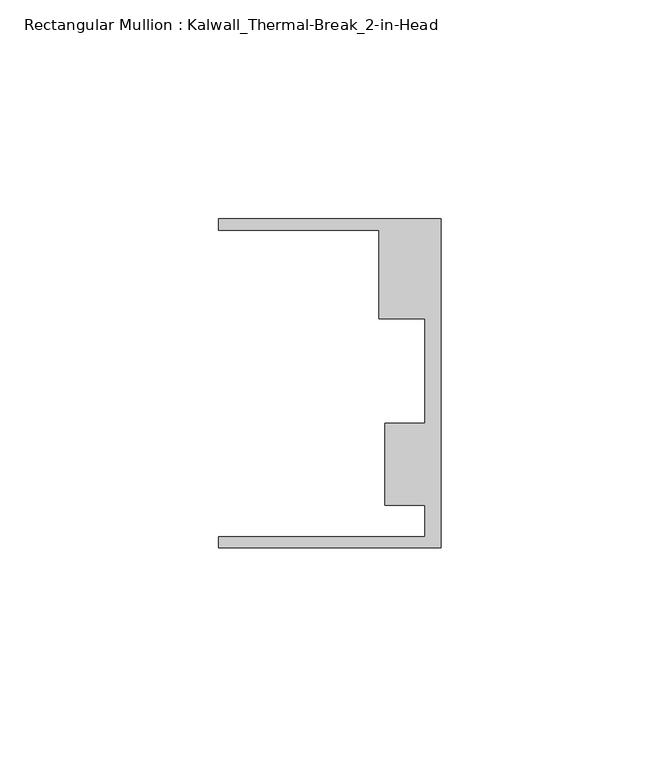
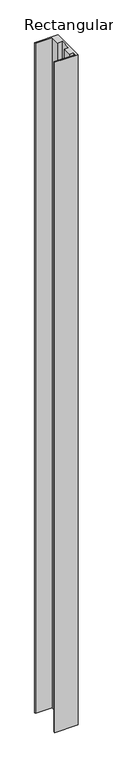
"""IFC4 building model written with IfcOpenShell, lengths in millimetres: member geometry, Rectangular Mullion : Kalwall_Thermal-Break_2-in-Head."""

import ifcopenshell
import ifcopenshell.guid

model = None  # the IFC model being written
_history = None  # IfcOwnerHistory: only IFC2X3 demands one
_inside = {}  # id of a spatial element -> (the spatial element, [elements in it])
_under = {}  # id of a project, library or spatial element -> (it, [spatial elements below it])
_declared = {}  # id of a project -> (the project, [libraries it declares])
_typed = {}  # id of a type object -> (the type object, [elements of that type])
_made_of = {}  # id of a material, layer set ... -> (it, [elements and type objects made of it])


def new_model(schema):
    """Start an empty IFC model of exactly this schema.

    Asked for "IFC4X3", IfcOpenShell would pick the latest addendum, in which some entities
    have other attributes; the version numbers below select the first issue.
    IFC2X3 requires an IfcOwnerHistory on every rooted entity: one is made here for all.
    """
    global model, _history
    if schema == "IFC4X3":
        model = ifcopenshell.file(schema_version=(4, 3, 0, 0))
    else:
        model = ifcopenshell.file(schema=schema)
    _inside.clear()
    _under.clear()
    _declared.clear()
    _typed.clear()
    _made_of.clear()
    _history = None
    if model.schema == "IFC2X3":
        org = make("IfcOrganization", Name="unknown")
        user = make(
            "IfcPersonAndOrganization",
            ThePerson=make("IfcPerson", FamilyName="unknown"),
            TheOrganization=org,
        )
        app = make(
            "IfcApplication",
            ApplicationDeveloper=org,
            Version="unknown",
            ApplicationFullName="unknown",
            ApplicationIdentifier="unknown",
        )
        _history = make(
            "IfcOwnerHistory",
            OwningUser=user,
            OwningApplication=app,
            ChangeAction="ADDED",
            CreationDate=0,
        )
    return model


def make(cls, **values):
    """One entity of the class cls with the attributes given. An attribute that is None is left unset."""
    return model.create_entity(
        cls, **{name: value for name, value in values.items() if value is not None}
    )


def rooted(cls, **values):
    """An entity with a GlobalId (a new one), such as an element, a storey or a relation."""
    return make(cls, GlobalId=ifcopenshell.guid.new(), OwnerHistory=_history, **values)


def si_unit(unit_type, name, prefix=None):
    """IfcSIUnit, for example si_unit("LENGTHUNIT", "METRE", prefix="MILLI")."""
    return make("IfcSIUnit", UnitType=unit_type, Prefix=prefix, Name=name)


def assignment(units):
    """IfcUnitAssignment: the units of a project."""
    return None if units is None else make("IfcUnitAssignment", Units=units)


def point(xyz):
    """IfcCartesianPoint."""
    return None if xyz is None else make("IfcCartesianPoint", Coordinates=xyz)


def direction(xyz):
    """IfcDirection."""
    return None if xyz is None else make("IfcDirection", DirectionRatios=xyz)


def frame(location, z_axis=None, x_axis=None):
    """IfcAxis2Placement3D, a coordinate frame: its origin and axes. An axis left out is left unset."""
    return make(
        "IfcAxis2Placement3D",
        Location=point(location),
        Axis=direction(z_axis),
        RefDirection=direction(x_axis),
    )


def origin():
    """The frame at (0, 0, 0) with its axes left unset."""
    return frame((0.0, 0.0, 0.0))


def place(relative_to, where):
    """IfcLocalPlacement: puts the frame where relative to a parent placement (None: the world)."""
    return make(
        "IfcLocalPlacement", PlacementRelTo=relative_to, RelativePlacement=where
    )


def context(
    kind, dimensions, precision=None, world=None, true_north=None, identifier=None
):
    """IfcGeometricRepresentationContext, for example the 3D "Model" context."""
    return make(
        "IfcGeometricRepresentationContext",
        ContextIdentifier=identifier,
        ContextType=kind,
        CoordinateSpaceDimension=dimensions,
        Precision=precision,
        WorldCoordinateSystem=world,
        TrueNorth=true_north,
    )


def project(units=None, contexts=None):
    """IfcProject with its units and contexts."""
    return rooted(
        "IfcProject",
        Name="project",
        RepresentationContexts=contexts,
        UnitsInContext=assignment(units),
    )


def spatial(cls, under=None, at=None, **own):
    """A site, building, storey or space (cls), placed at a placement, below another one or the project."""
    s = rooted(cls, ObjectPlacement=at, **own)
    if under is not None:
        _under.setdefault(under.id(), (under, []))[1].append(s)
    return s


def polyline(points):
    """IfcPolyline through the points."""
    return make("IfcPolyline", Points=[point(p) for p in points])


def outline(outer, holes=None, kind="AREA"):
    """IfcArbitraryClosedProfileDef: a profile drawn as a closed curve; with holes, ...WithVoids."""
    if holes is None:
        return make("IfcArbitraryClosedProfileDef", ProfileType=kind, OuterCurve=outer)
    return make(
        "IfcArbitraryProfileDefWithVoids",
        ProfileType=kind,
        OuterCurve=outer,
        InnerCurves=holes,
    )


def extrude(swept, where, along, depth):
    """IfcExtrudedAreaSolid: the profile swept, set in the frame where, extruded along a direction by depth."""
    return make(
        "IfcExtrudedAreaSolid",
        SweptArea=swept,
        Position=where,
        ExtrudedDirection=direction(along),
        Depth=depth,
    )


def shape(context_of_items, identifier, shape_type, items):
    """IfcShapeRepresentation: the items that make up one representation, for example the "Body"."""
    return make(
        "IfcShapeRepresentation",
        ContextOfItems=context_of_items,
        RepresentationIdentifier=identifier,
        RepresentationType=shape_type,
        Items=items,
    )


def source(mapping_origin, context_of_items, identifier, shape_type, items):
    """IfcRepresentationMap: a shape defined once, which mapped items show again and again."""
    return make(
        "IfcRepresentationMap",
        MappingOrigin=mapping_origin,
        MappedRepresentation=shape(context_of_items, identifier, shape_type, items),
    )


def transform(
    local_origin,
    x_axis=None,
    y_axis=None,
    z_axis=None,
    scale=None,
    scale2=None,
    scale3=None,
    uniform=True,
):
    """IfcCartesianTransformationOperator3D, or its non-uniform kind. x_axis, y_axis, z_axis: its Axis1, 2, 3."""
    if uniform:
        return make(
            "IfcCartesianTransformationOperator3D",
            Axis1=direction(x_axis),
            Axis2=direction(y_axis),
            LocalOrigin=point(local_origin),
            Scale=scale,
            Axis3=direction(z_axis),
        )
    return make(
        "IfcCartesianTransformationOperator3DnonUniform",
        Axis1=direction(x_axis),
        Axis2=direction(y_axis),
        LocalOrigin=point(local_origin),
        Scale=scale,
        Axis3=direction(z_axis),
        Scale2=scale2,
        Scale3=scale3,
    )


def mapped(mapping_source, mapping_target):
    """IfcMappedItem: shows the shape of a source again, moved by a transform."""
    return make(
        "IfcMappedItem", MappingSource=mapping_source, MappingTarget=mapping_target
    )


def made_of(thing, what):
    """Note that an element or type object is made of a material, layer set ...; save() writes the relation."""
    if what is not None:
        _made_of.setdefault(what.id(), (what, []))[1].append(thing)
    return thing


def element(
    cls,
    number,
    at=None,
    inside=None,
    cuts=None,
    type_object=None,
    material=None,
    context=None,
    identifier="Body",
    shape_type=None,
    held_by="IfcProductDefinitionShape",
    body=None,
    shapes=None,
    **own,
):
    """One element of the class cls, such as IfcWall. Its Tag is "e" and its number.

    at: its placement. inside: the storey or other place that contains it. cuts: it is an
    opening in that element (IfcRelVoidsElement). A single representation is given by context,
    identifier, shape_type and body (its items); several are given by shapes. held_by: the class
    of the entity that holds the representations. save() writes the other relations.
    """
    e = rooted(cls, Tag="e%d" % number, ObjectPlacement=at, **own)
    if body is not None:
        shapes = [shape(context, identifier, shape_type, body)]
    if shapes is not None:
        e.Representation = make(held_by, Representations=shapes)
    if inside is not None:
        _inside.setdefault(inside.id(), (inside, []))[1].append(e)
    if cuts is not None:
        rooted(
            "IfcRelVoidsElement", RelatingBuildingElement=cuts, RelatedOpeningElement=e
        )
    if type_object is not None:
        _typed.setdefault(type_object.id(), (type_object, []))[1].append(e)
    return made_of(e, material)


def aggregate(whole, parts):
    """IfcRelAggregates: a whole, such as a stair, and the parts it consists of."""
    return rooted("IfcRelAggregates", RelatingObject=whole, RelatedObjects=parts)


def save(model, path):
    """Write the relations noted so far, then the file.

    IfcRelAggregates (storeys below a building ...), IfcRelContainedInSpatialStructure (elements
    in a storey), IfcRelDefinesByType, IfcRelAssociatesMaterial and IfcRelDeclares: one each for
    every whole, place, type object, material and project.
    """
    for whole, parts in _under.values():
        aggregate(whole, parts)
    for where, things in _inside.values():
        rooted(
            "IfcRelContainedInSpatialStructure",
            RelatedElements=things,
            RelatingStructure=where,
        )
    for kind, things in _typed.values():
        rooted("IfcRelDefinesByType", RelatedObjects=things, RelatingType=kind)
    for what, things in _made_of.values():
        rooted("IfcRelAssociatesMaterial", RelatedObjects=things, RelatingMaterial=what)
    for by, libraries in _declared.values():
        rooted("IfcRelDeclares", RelatingContext=by, RelatedDefinitions=libraries)
    model.write(path)


def rectangular_mullion_kalwall_thermal_break_2_in_head_6864c27d(model_context):
    return source(origin(), model_context, "Body", "SweptSolid", [
        extrude(outline(polyline([(0.0, -37.5776386), (-50.8, -37.5776386), (-50.8, -35.0376386), (-3.7084, -35.0376386), (-3.7084, -27.8888568), (-12.8272539, -27.8888568), (-12.8272539, -9.1879886), (-3.7084, -9.1879886), (-3.7084, 14.7439614), (-14.1732, 14.7439614), (-14.1732, 34.9623614), (-50.8, 34.9623614), (-50.8, 37.5023614), (0.0, 37.5023614), (0.0, -37.5776386)])), frame((0.0, 0.0, -1540.9129997), z_axis=(0.0, 0.0, 1.0), x_axis=(1.0, 0.0, 0.0)), (0.0, 0.0, 1.0), 1540.9129997),
    ])


if __name__ == "__main__":
    model = new_model("IFC4")
    model_context = context("Model", 3, world=origin())
    ifc_project = project(units=[si_unit("LENGTHUNIT", "METRE", prefix="MILLI")], contexts=[model_context])
    site = spatial("IfcSite", under=ifc_project)
    building = spatial("IfcBuilding", under=site)
    placement = place(None, origin())
    rectangular_mullion_kalwall_thermal_break_2_in_head_shape = rectangular_mullion_kalwall_thermal_break_2_in_head_6864c27d(model_context)
    element("IfcMember", 1, ObjectType="Rectangular Mullion : Kalwall_Thermal-Break_2-in-Head", at=placement, inside=building, context=model_context, shape_type="MappedRepresentation", body=[
        mapped(rectangular_mullion_kalwall_thermal_break_2_in_head_shape, transform((0.0, 0.0, 0.0), x_axis=(1.0, 0.0, 0.0), y_axis=(0.0, 1.0, 0.0), z_axis=(0.0, 0.0, 1.0))),
    ])
    save(model, "model.ifc")
